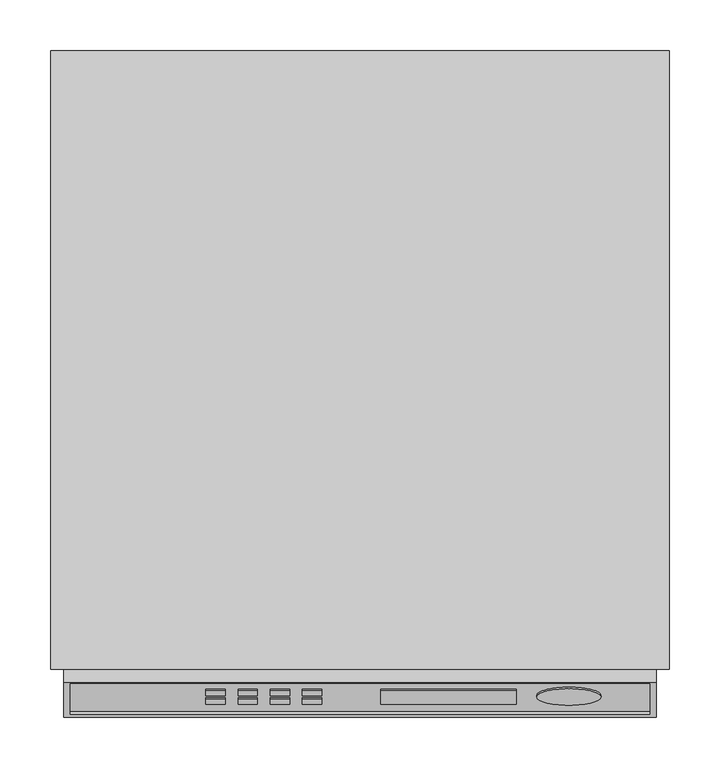
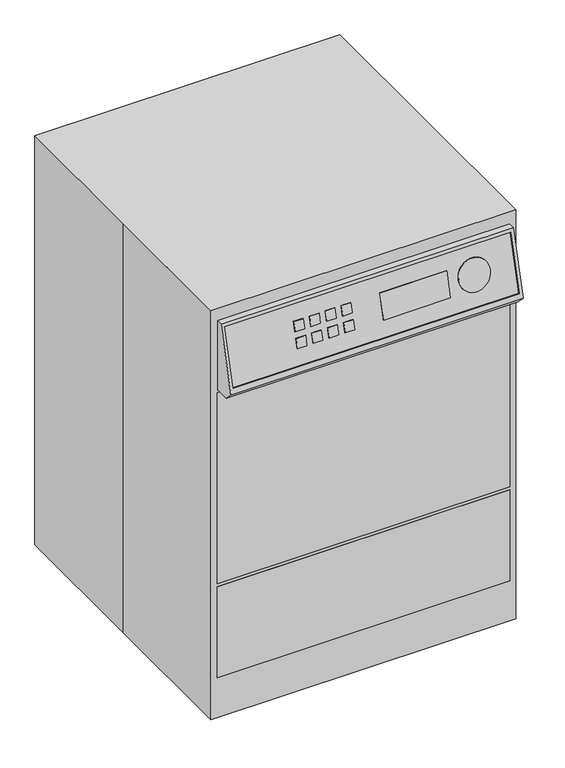
"""IFC4 building model written with IfcOpenShell, lengths in millimetres: proxy geometry."""

from ifc_helpers import new_model, si_unit, point, frame, frame_2d, origin, origin_with_axes, place, context, project, spatial, polyline, circle_curve, trimmed, segment, composite_curve, outline, extrude, faceted_brep, source, transform, mapped, element, save


def specialty_equipment_8514f4e3(model_context):
    return source(origin(), model_context, "Body", "SolidModel", [
        extrude(outline(composite_curve([segment(trimmed(circle_curve(frame_2d((0.0, -31.75)), 31.75), [point((0.0, -63.5))], [point((0.0, 0.0))], False, "CARTESIAN"), True, "CONTINUOUS"), segment(trimmed(circle_curve(frame_2d((0.0, -31.75)), 31.75), [point((0.0, 0.0))], [point((0.0, -63.5))], False, "CARTESIAN"), True, "CONTINUOUS")], self_intersect=False)), frame((237.6213064, -330.6291997, 777.0527946), z_axis=(0.0, -0.9659258262890679, 0.25881904510252246), x_axis=(0.0, -0.25881904510252246, -0.9659258262890679)), (0.0, 0.0, 1.0), 1.5875),
        extrude(outline(polyline([(0.0, -133.35), (0.0, 0.0), (1.5875, 0.0), (1.5875, -133.35), (0.0, -133.35)])), frame((20.6288842, -339.2390698, 751.0539512), z_axis=(0.0, 0.25881904510253684, 0.965925826289064), x_axis=(0.0, 0.965925826289064, -0.25881904510253684)), (0.0, 0.0, 1.0), 50.8),
        extrude(outline(polyline([(0.0, -19.05), (0.0, 0.0), (1.5875, 0.0), (1.5875, -19.05), (0.0, -19.05)])), frame((-56.6632748, -331.0215651, 781.7220962), z_axis=(0.0, 0.25881904510253684, 0.965925826289064), x_axis=(0.0, 0.965925826289064, -0.25881904510253684)), (0.0, 0.0, 1.0), 19.05),
        extrude(outline(polyline([(0.0, -19.05), (0.0, 0.0), (1.5875, 0.0), (1.5875, -19.05), (0.0, -19.05)])), frame((-56.6632748, -339.2390698, 751.0539512), z_axis=(0.0, 0.25881904510253684, 0.965925826289064), x_axis=(0.0, 0.965925826289064, -0.25881904510253684)), (0.0, 0.0, 1.0), 19.05),
        extrude(outline(polyline([(0.0, -19.05), (0.0, 0.0), (1.5875, 0.0), (1.5875, -19.05), (0.0, -19.05)])), frame((-88.4132748, -331.0215651, 781.7220962), z_axis=(0.0, 0.2588190451024573, 0.9659258262890853), x_axis=(0.0, 0.9659258262890853, -0.2588190451024573)), (0.0, 0.0, 1.0), 19.05),
        extrude(outline(polyline([(0.0, -19.05), (0.0, 0.0), (1.5875, 0.0), (1.5875, -19.05), (0.0, -19.05)])), frame((-88.4132748, -339.2390698, 751.0539512), z_axis=(0.0, 0.25881904510253684, 0.965925826289064), x_axis=(0.0, 0.965925826289064, -0.25881904510253684)), (0.0, 0.0, 1.0), 19.05),
        extrude(outline(polyline([(0.0, -19.05), (0.0, 0.0), (1.5875, 0.0), (1.5875, -19.05), (0.0, -19.05)])), frame((-120.1632748, -331.0215651, 781.7220962), z_axis=(0.0, 0.25881904510253684, 0.965925826289064), x_axis=(0.0, 0.965925826289064, -0.25881904510253684)), (0.0, 0.0, 1.0), 19.05),
        extrude(outline(polyline([(0.0, -19.05), (0.0, 0.0), (1.5875, 0.0), (1.5875, -19.05), (0.0, -19.05)])), frame((-120.1632748, -339.2390698, 751.0539512), z_axis=(0.0, 0.25881904510253684, 0.965925826289064), x_axis=(0.0, 0.965925826289064, -0.25881904510253684)), (0.0, 0.0, 1.0), 19.05),
        extrude(outline(polyline([(0.0, -19.05), (0.0, 0.0), (1.5875, 0.0), (1.5875, -19.05), (0.0, -19.05)])), frame((-151.9132748, -331.0215651, 781.7220962), z_axis=(0.0, 0.25881904510253684, 0.965925826289064), x_axis=(0.0, 0.965925826289064, -0.25881904510253684)), (0.0, 0.0, 1.0), 19.05),
        extrude(outline(polyline([(0.0, -19.05), (0.0, 0.0), (1.5875, 0.0), (1.5875, -19.05), (0.0, -19.05)])), frame((-151.9132748, -339.2390698, 751.0539512), z_axis=(0.0, 0.25881904510253684, 0.965925826289064), x_axis=(0.0, 0.965925826289064, -0.25881904510253684)), (0.0, 0.0, 1.0), 19.05),
        faceted_brep([(292.1, -317.5, 838.2), (292.1, -352.0135197, 709.3937911), (292.1, -334.7697286, 692.15), (292.1, -279.4, 692.15), (292.1, -279.4, 838.2), (-292.1, -317.5, 838.2), (-292.1, -279.4, 838.2), (-292.1, -279.4, 692.15), (-292.1, -334.7697286, 692.15), (-292.1, -352.0135197, 709.3937911), (-285.75, -319.1435009, 832.066371), (285.75, -319.1435009, 832.066371), (285.75, -349.1939991, 719.9163852), (-285.75, -349.1939991, 719.9163852), (285.75, -316.1064097, 831.2525849), (-285.75, -316.1064097, 831.2525849), (-285.75, -346.1569078, 719.1025991), (285.75, -346.1569078, 719.1025991)], [[[0, 1, 2, 3, 4]], [[5, 6, 7, 8, 9]], [[1, 0, 5, 9], [10, 11, 12, 13]], [[2, 1, 9, 8]], [[3, 2, 8, 7]], [[4, 3, 7, 6]], [[0, 4, 6, 5]], [[14, 15, 16, 17]], [[15, 14, 11, 10]], [[16, 15, 10, 13]], [[17, 16, 13, 12]], [[14, 17, 12, 11]]]),
        faceted_brep([(292.1, -279.4, 276.225), (292.1, -304.8, 276.225), (292.1, -304.8, 84.0277163), (292.1, -279.4, 84.0277163), (-292.1, -279.4, 276.225), (-292.1, -279.4, 84.0277163), (-292.1, -304.8, 84.0277163), (-292.1, -304.8, 276.225)], [[[0, 1, 2, 3]], [[4, 5, 6, 7]], [[3, 2, 6, 5]], [[0, 3, 5, 4]], [[1, 0, 4, 7]], [[2, 1, 7, 6]]]),
        faceted_brep([(292.1, -304.8, 282.575), (292.1, -279.4, 282.575), (292.1, -279.4, 685.8), (292.1, -304.8, 685.8), (-292.1, -304.8, 282.575), (-292.1, -304.8, 685.8), (-292.1, -279.4, 685.8), (-292.1, -279.4, 282.575)], [[[0, 1, 2, 3]], [[4, 5, 6, 7]], [[3, 2, 6, 5]], [[0, 3, 5, 4]], [[1, 0, 4, 7]], [[2, 1, 7, 6]]]),
        extrude(outline(polyline([(-304.8, 304.8), (304.8, 304.8), (304.8, -304.8), (-304.8, -304.8), (-304.8, 0.0), (-304.8, 304.8)])), origin_with_axes(), (0.0, 0.0, 1.0), 863.6),
        extrude(outline(polyline([(254.0, 158.75), (254.0, 0.0), (-279.4, 0.0), (-279.4, 838.2), (279.4, 838.2), (279.4, 158.75), (254.0, 158.75)])), frame((-292.1, 0.0, 0.0), z_axis=(1.0, 0.0, 0.0), x_axis=(0.0, 1.0, 0.0)), (0.0, 0.0, 1.0), 584.2),
    ])


if __name__ == "__main__":
    model = new_model("IFC4")
    model_context = context("Model", 3, world=origin())
    ifc_project = project(units=[si_unit("LENGTHUNIT", "METRE", prefix="MILLI")], contexts=[model_context])
    site = spatial("IfcSite", under=ifc_project)
    building = spatial("IfcBuilding", under=site)
    placement = place(None, origin())
    specialty_equipment_shape = specialty_equipment_8514f4e3(model_context)
    element("IfcBuildingElementProxy", 1, Name="Specialty Equipment", at=placement, inside=building, context=model_context, shape_type="MappedRepresentation", body=[
        mapped(specialty_equipment_shape, transform((0.0, 0.0, 0.0), x_axis=(1.0, 0.0, 0.0), y_axis=(0.0, 1.0, 0.0), z_axis=(0.0, 0.0, 1.0))),
    ])
    save(model, "model.ifc")
